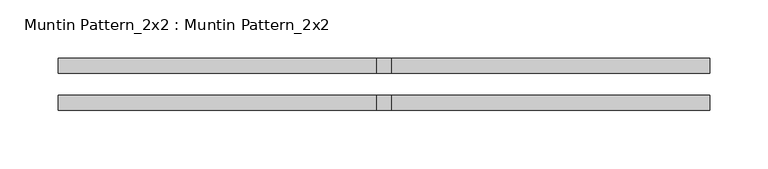
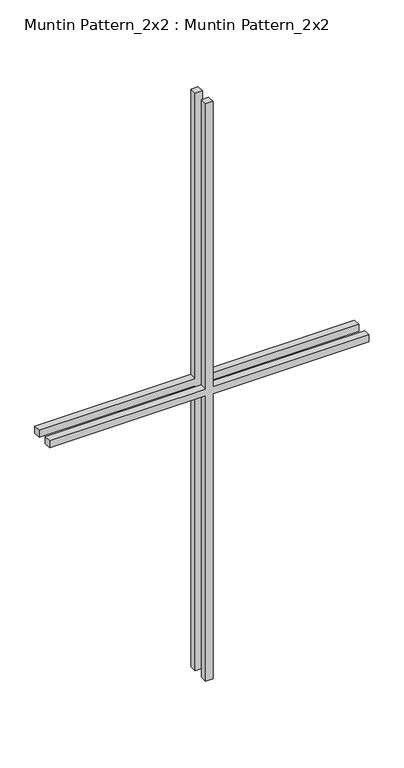
"""IFC4 building model written with IfcOpenShell, lengths in millimetres: proxy geometry, Muntin Pattern_2x2 : Muntin Pattern_2x2."""

from ifc_helpers import new_model, si_unit, frame, origin, place, context, project, spatial, polyline, outline, extrude, source, transform, mapped, element, save


def muntin_pattern_2x2_muntin_pattern_2x2_eb4adc90(model_context):
    return source(origin(), model_context, "Body", "SweptSolid", [
        extrude(outline(polyline([(539.75, -6.35), (539.75, -279.4), (527.05, -279.4), (527.05, -6.35), (0.0, -6.35), (0.0, 6.35), (527.05, 6.35), (527.05, 279.4), (539.75, 279.4), (539.75, 6.35), (1066.8, 6.35), (1066.8, -6.35), (539.75, -6.35)])), frame((0.0, 9.525, 0.0), z_axis=(0.0, 1.0, 0.0), x_axis=(0.0, 0.0, 1.0)), (0.0, 0.0, 1.0), 12.7),
        extrude(outline(polyline([(539.75, -6.35), (539.75, -279.4), (527.05, -279.4), (527.05, -6.35), (0.0, -6.35), (0.0, 6.35), (527.05, 6.35), (527.05, 279.4), (539.75, 279.4), (539.75, 6.35), (1066.8, 6.35), (1066.8, -6.35), (539.75, -6.35)])), frame((0.0, -22.225, 0.0), z_axis=(0.0, 1.0, 0.0), x_axis=(0.0, 0.0, 1.0)), (0.0, 0.0, 1.0), 12.7),
    ])


if __name__ == "__main__":
    model = new_model("IFC4")
    model_context = context("Model", 3, world=origin())
    ifc_project = project(units=[si_unit("LENGTHUNIT", "METRE", prefix="MILLI")], contexts=[model_context])
    site = spatial("IfcSite", under=ifc_project)
    building = spatial("IfcBuilding", under=site)
    placement = place(None, origin())
    muntin_pattern_2x2_muntin_pattern_2x2_shape = muntin_pattern_2x2_muntin_pattern_2x2_eb4adc90(model_context)
    element("IfcBuildingElementProxy", 1, Name="Muntin Pattern_2x2 : Muntin Pattern_2x2", ObjectType="Muntin Pattern_2x2 : Muntin Pattern_2x2", at=placement, inside=building, context=model_context, shape_type="MappedRepresentation", body=[
        mapped(muntin_pattern_2x2_muntin_pattern_2x2_shape, transform((0.0, 0.0, 0.0), x_axis=(1.0, 0.0, 0.0), y_axis=(0.0, 1.0, 0.0), z_axis=(0.0, 0.0, 1.0))),
    ])
    save(model, "model.ifc")
